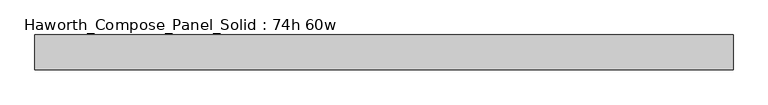
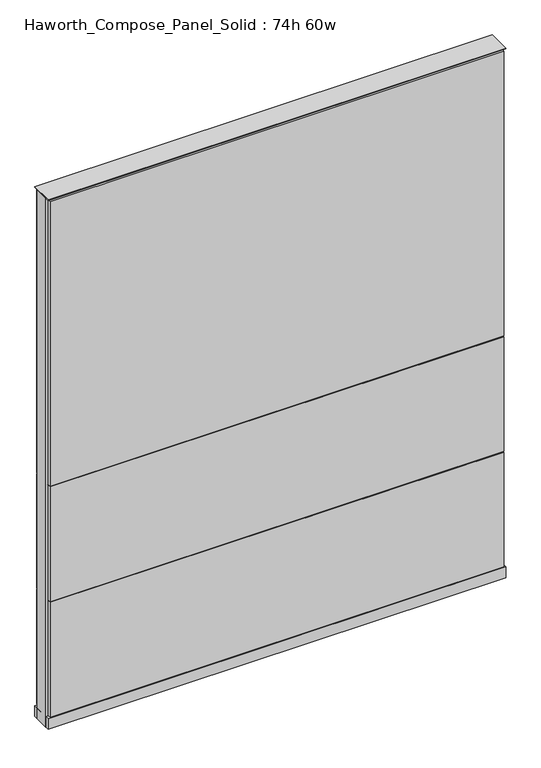
"""IFC4 building model written with IfcOpenShell, lengths in millimetres: furniture geometry, Haworth_Compose_Panel_Solid : 74h 60w."""

from ifc_helpers import new_model, si_unit, point, frame, frame_2d, origin, origin_with_axes, place, context, project, spatial, polyline, circle_curve, trimmed, segment, composite_curve, outline, extrude, source, transform, mapped, element, save


def haworth_compose_panel_solid_74h_60w_8215b45f(model_context):
    return source(origin(), model_context, "Body", "SweptSolid", [
        extrude(outline(composite_curve([segment(trimmed(circle_curve(frame_2d((-683.3597098, 0.0)), 12.7), [point((-696.0597098, 0.0))], [point((-670.6597098, 0.0))], False, "CARTESIAN"), True, "CONTINUOUS"), segment(trimmed(circle_curve(frame_2d((-683.3597098, 0.0)), 12.7), [point((-670.6597098, 0.0))], [point((-696.0597098, 0.0))], False, "CARTESIAN"), True, "CONTINUOUS")], self_intersect=False)), origin_with_axes(), (0.0, 0.0, 1.0), 12.7),
        extrude(outline(composite_curve([segment(trimmed(circle_curve(frame_2d((688.2402902, 0.0)), 12.7), [point((675.5402902, 0.0))], [point((700.9402902, 0.0))], False, "CARTESIAN"), True, "CONTINUOUS"), segment(trimmed(circle_curve(frame_2d((688.2402902, 0.0)), 12.7), [point((700.9402902, 0.0))], [point((675.5402902, 0.0))], False, "CARTESIAN"), True, "CONTINUOUS")], self_intersect=False)), origin_with_axes(), (0.0, 0.0, 1.0), 12.7),
        extrude(outline(polyline([(758.0902902, 38.1), (758.0902902, 25.4), (-753.2097098, 25.4), (-753.2097098, 38.1), (758.0902902, 38.1)])), frame((0.0, 0.0, 866.775), z_axis=(0.0, 0.0, 1.0), x_axis=(1.0, 0.0, 0.0)), (0.0, 0.0, 1.0), 1000.125),
        extrude(outline(polyline([(758.0902902, 38.1), (758.0902902, 25.4), (-753.2097098, 25.4), (-753.2097098, 38.1), (758.0902902, 38.1)])), frame((0.0, 0.0, 460.375), z_axis=(0.0, 0.0, 1.0), x_axis=(1.0, 0.0, 0.0)), (0.0, 0.0, 1.0), 403.225),
        extrude(outline(polyline([(758.0902902, 38.1), (758.0902902, 25.4), (-753.2097098, 25.4), (-753.2097098, 38.1), (758.0902902, 38.1)])), frame((0.0, 0.0, 53.975), z_axis=(0.0, 0.0, 1.0), x_axis=(1.0, 0.0, 0.0)), (0.0, 0.0, 1.0), 403.225),
        extrude(outline(polyline([(758.0902902, -38.1), (-753.2097098, -38.1), (-753.2097098, -25.4), (758.0902902, -25.4), (758.0902902, -38.1)])), frame((0.0, 0.0, 866.775), z_axis=(0.0, 0.0, 1.0), x_axis=(1.0, 0.0, 0.0)), (0.0, 0.0, 1.0), 1000.125),
        extrude(outline(polyline([(758.0902902, -38.1), (-753.2097098, -38.1), (-753.2097098, -25.4), (758.0902902, -25.4), (758.0902902, -38.1)])), frame((0.0, 0.0, 460.375), z_axis=(0.0, 0.0, 1.0), x_axis=(1.0, 0.0, 0.0)), (0.0, 0.0, 1.0), 403.225),
        extrude(outline(polyline([(758.0902902, -38.1), (-753.2097098, -38.1), (-753.2097098, -25.4), (758.0902902, -25.4), (758.0902902, -38.1)])), frame((0.0, 0.0, 53.975), z_axis=(0.0, 0.0, 1.0), x_axis=(1.0, 0.0, 0.0)), (0.0, 0.0, 1.0), 403.225),
        extrude(outline(polyline([(764.4402902, 25.4), (764.4402902, -25.4), (-759.5597098, -25.4), (-759.5597098, 25.4), (764.4402902, 25.4)])), frame((0.0, 0.0, 12.7), z_axis=(0.0, 0.0, 1.0), x_axis=(1.0, 0.0, 0.0)), (0.0, 0.0, 1.0), 1860.55),
        extrude(outline(polyline([(-759.5597098, -38.1), (-759.5597098, 38.1), (764.4402902, 38.1), (764.4402902, -38.1), (-759.5597098, -38.1)])), frame((0.0, 0.0, 12.7), z_axis=(0.0, 0.0, 1.0), x_axis=(1.0, 0.0, 0.0)), (0.0, 0.0, 1.0), 38.1),
        extrude(outline(polyline([(-759.5597098, -38.1), (-759.5597098, 38.1), (764.4402902, 38.1), (764.4402902, -38.1), (-759.5597098, -38.1)])), frame((0.0, 0.0, 1873.25), z_axis=(0.0, 0.0, 1.0), x_axis=(1.0, 0.0, 0.0)), (0.0, 0.0, 1.0), 3.175),
    ])


if __name__ == "__main__":
    model = new_model("IFC4")
    model_context = context("Model", 3, world=origin())
    ifc_project = project(units=[si_unit("LENGTHUNIT", "METRE", prefix="MILLI")], contexts=[model_context])
    site = spatial("IfcSite", under=ifc_project)
    building = spatial("IfcBuilding", under=site)
    placement = place(None, origin())
    haworth_compose_panel_solid_74h_60w_shape = haworth_compose_panel_solid_74h_60w_8215b45f(model_context)
    element("IfcFurniture", 1, ObjectType="Haworth_Compose_Panel_Solid : 74h 60w", at=placement, inside=building, context=model_context, shape_type="MappedRepresentation", body=[
        mapped(haworth_compose_panel_solid_74h_60w_shape, transform((0.0, 0.0, 0.0), x_axis=(1.0, 0.0, 0.0), y_axis=(0.0, 1.0, 0.0), z_axis=(0.0, 0.0, 1.0))),
    ])
    save(model, "model.ifc")
